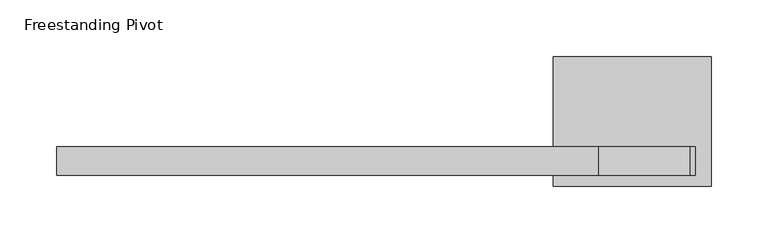
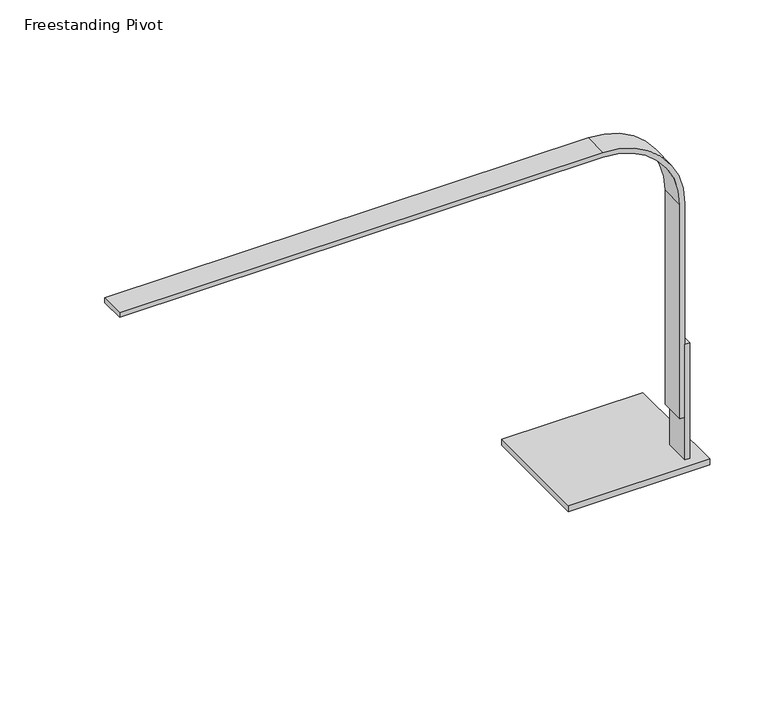
"""IFC4 building model written with IfcOpenShell, lengths in millimetres: light fixture geometry, Freestanding Pivot."""

from ifc_helpers import new_model, si_unit, point, frame, frame_2d, origin, place, context, project, spatial, polyline, circle_curve, trimmed, segment, composite_curve, outline, extrude, faceted_brep, source, transform, mapped, element, save


def freestanding_pivot_89a99560(model_context):
    return source(origin(), model_context, "Body", "SolidModel", [
        faceted_brep([(34.1911301, 236.9532085, 863.6), (29.4286301, 236.9532085, 863.6), (29.4286301, 211.5532085, 863.6), (34.1911301, 211.5532085, 863.6), (48.4786301, 316.3282085, 736.6), (48.4786301, 202.0282085, 736.6), (-91.2213699, 202.0282085, 736.6), (-91.2213699, 316.3282085, 736.6), (34.1911301, 211.5532085, 742.95), (34.1911301, 236.9532085, 742.95), (29.4286301, 211.5532085, 742.95), (29.4286301, 236.9532085, 742.95), (48.4786301, 316.3282085, 742.95), (-91.2213699, 316.3282085, 742.95), (-91.2213699, 202.0282085, 742.95), (48.4786301, 202.0282085, 742.95)], [[[0, 1, 2, 3]], [[4, 5, 6, 7]], [[0, 3, 8, 9]], [[3, 2, 10, 8]], [[2, 1, 11, 10]], [[1, 0, 9, 11]], [[12, 13, 14, 15], [9, 8, 10, 11]], [[13, 12, 4, 7]], [[14, 13, 7, 6]], [[15, 14, 6, 5]], [[12, 15, 5, 4]]]),
        extrude(outline(composite_curve([segment(polyline([(1092.2, -529.3713699), (1087.4375, -529.3713699), (1087.4375, -51.5338699)]), True, "CONTINUOUS"), segment(trimmed(circle_curve(frame_2d((1011.2375, -51.5338699)), 76.2), [point((1087.4375, -51.5338699))], [point((1011.2375, 24.6661301))], True, "CARTESIAN"), True, "CONTINUOUS"), segment(polyline([(1011.2375, 24.6661301), (787.4, 24.6661301), (787.4, 29.4286301), (1011.2375, 29.4286301)]), True, "CONTINUOUS"), segment(trimmed(circle_curve(frame_2d((1011.2375, -51.5338699)), 80.9625), [point((1011.2375, 29.4286301))], [point((1092.2, -51.5338699))], False, "CARTESIAN"), True, "CONTINUOUS"), segment(polyline([(1092.2, -51.5338699), (1092.2, -529.3713699)]), True, "CONTINUOUS")], self_intersect=False)), frame((0.0, 211.5532085, 0.0), z_axis=(0.0, 1.0, 0.0), x_axis=(0.0, 0.0, 1.0)), (0.0, 0.0, 1.0), 25.4),
    ])


if __name__ == "__main__":
    model = new_model("IFC4")
    model_context = context("Model", 3, world=origin())
    ifc_project = project(units=[si_unit("LENGTHUNIT", "METRE", prefix="MILLI")], contexts=[model_context])
    site = spatial("IfcSite", under=ifc_project)
    building = spatial("IfcBuilding", under=site)
    placement = place(None, origin())
    freestanding_pivot_shape = freestanding_pivot_89a99560(model_context)
    element("IfcLightFixture", 1, ObjectType="Freestanding Pivot", at=placement, inside=building, context=model_context, shape_type="MappedRepresentation", body=[
        mapped(freestanding_pivot_shape, transform((0.0, 0.0, 0.0), x_axis=(1.0, 0.0, 0.0), y_axis=(0.0, 1.0, 0.0), z_axis=(0.0, 0.0, 1.0))),
    ])
    save(model, "model.ifc")
